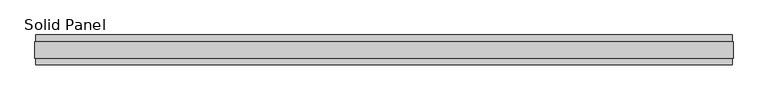
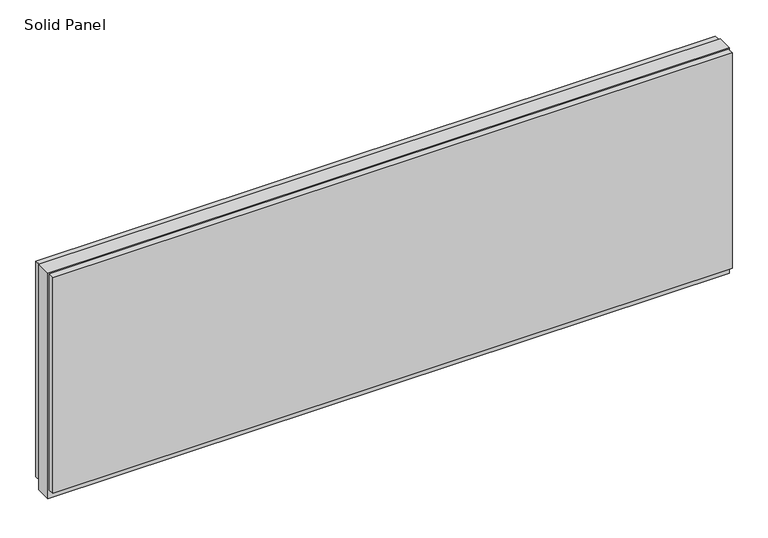
"""IFC4 building model written with IfcOpenShell, lengths in millimetres: plate geometry, Solid Panel."""

from ifc_helpers import new_model, si_unit, frame, origin, origin_with_axes, place, context, project, spatial, polyline, outline, extrude, source, transform, mapped, element, save


def solid_panel_1645f654(model_context):
    return source(origin(), model_context, "Body", "SweptSolid", [
        extrude(outline(polyline([(1121.6926164, -48.4531867), (-1121.6926164, -48.4531867), (-1121.6926164, -25.9961), (1121.6926164, -25.9961), (1121.6926164, -48.4531867)])), frame((0.0, 0.0, 32.004), z_axis=(0.0, 0.0, 1.0), x_axis=(1.0, 0.0, 0.0)), (0.0, 0.0, 1.0), 752.3861),
        extrude(outline(polyline([(1121.6926164, 25.9977), (-1121.6926164, 25.9977), (-1121.6926164, 48.4547867), (1121.6926164, 48.4547867), (1121.6926164, 25.9977)])), frame((0.0, 0.0, 32.004), z_axis=(0.0, 0.0, 1.0), x_axis=(1.0, 0.0, 0.0)), (0.0, 0.0, 1.0), 752.3861),
        extrude(outline(polyline([(1124.6898164, -25.9961), (-1124.6898164, -25.9961), (-1124.6898164, 25.9977), (1124.6898164, 25.9977), (1124.6898164, -25.9961)])), origin_with_axes(), (0.0, 0.0, 1.0), 787.4),
    ])


if __name__ == "__main__":
    model = new_model("IFC4")
    model_context = context("Model", 3, world=origin())
    ifc_project = project(units=[si_unit("LENGTHUNIT", "METRE", prefix="MILLI")], contexts=[model_context])
    site = spatial("IfcSite", under=ifc_project)
    building = spatial("IfcBuilding", under=site)
    placement = place(None, origin())
    solid_panel_shape = solid_panel_1645f654(model_context)
    element("IfcPlate", 1, ObjectType="Solid Panel", at=placement, inside=building, context=model_context, shape_type="MappedRepresentation", body=[
        mapped(solid_panel_shape, transform((0.0, 0.0, 0.0), x_axis=(1.0, 0.0, 0.0), y_axis=(0.0, 1.0, 0.0), z_axis=(0.0, 0.0, 1.0))),
    ])
    save(model, "model.ifc")
